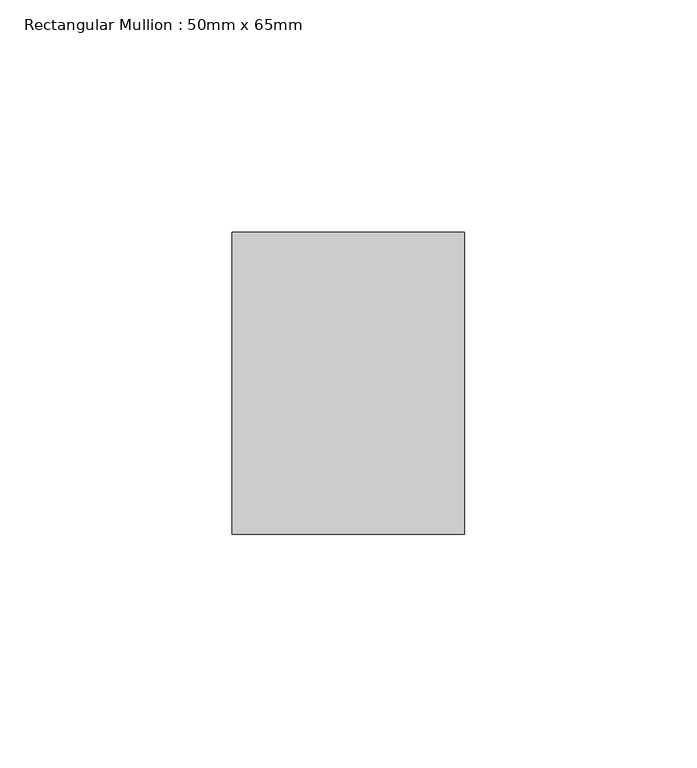
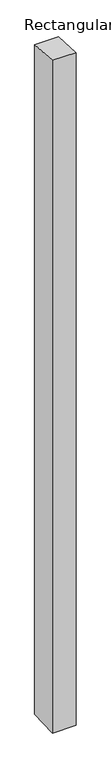
"""IFC4 building model written with IfcOpenShell, lengths in millimetres: member geometry, Rectangular Mullion : 50mm x 65mm."""

from ifc_helpers import new_model, si_unit, origin, place, context, project, spatial, faceted_brep, source, transform, mapped, element, save


def rectangular_mullion_50mm_x_65mm_bce123fd(model_context):
    return source(origin(), model_context, "Body", "Brep", [
        faceted_brep([(-25.0, 32.5, -2.1659783), (25.0, 32.5, -2.165978), (25.0, 32.5, -1498.7588497), (-25.0, 32.5, -1498.7588495), (-25.0, -32.5, 2.165978), (-25.0, -32.5, -1501.2410323), (25.0, -32.5, 2.1659783), (25.0, -32.5, -1501.2410325)], [[[0, 1, 2, 3]], [[4, 0, 3, 5]], [[6, 4, 5, 7]], [[1, 6, 7, 2]], [[1, 0, 4, 6]], [[2, 7, 5, 3]]]),
    ])


if __name__ == "__main__":
    model = new_model("IFC4")
    model_context = context("Model", 3, world=origin())
    ifc_project = project(units=[si_unit("LENGTHUNIT", "METRE", prefix="MILLI")], contexts=[model_context])
    site = spatial("IfcSite", under=ifc_project)
    building = spatial("IfcBuilding", under=site)
    placement = place(None, origin())
    rectangular_mullion_50mm_x_65mm_shape = rectangular_mullion_50mm_x_65mm_bce123fd(model_context)
    element("IfcMember", 1, ObjectType="Rectangular Mullion : 50mm x 65mm", at=placement, inside=building, context=model_context, shape_type="MappedRepresentation", body=[
        mapped(rectangular_mullion_50mm_x_65mm_shape, transform((0.0, 0.0, 0.0), x_axis=(1.0, 0.0, 0.0), y_axis=(0.0, 1.0, 0.0), z_axis=(0.0, 0.0, 1.0))),
    ])
    save(model, "model.ifc")
